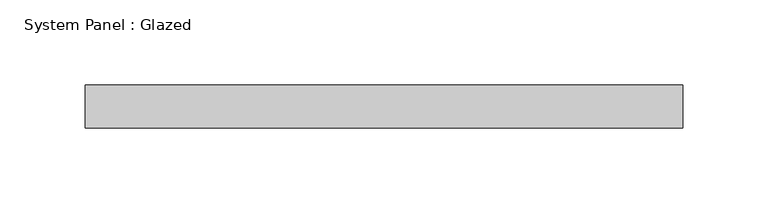
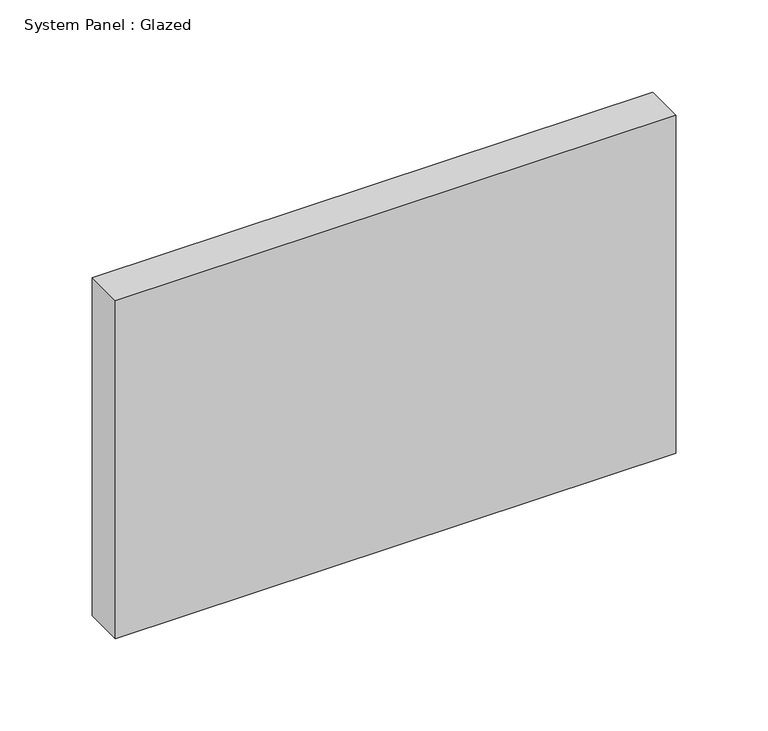
"""IFC4 building model written with IfcOpenShell, lengths in millimetres: plate geometry, System Panel : Glazed."""

from ifc_helpers import new_model, si_unit, origin, origin_with_axes, place, context, project, spatial, polyline, outline, extrude, source, transform, mapped, element, save


def system_panel_glazed_a957bdd6(model_context):
    return source(origin(), model_context, "Body", "SweptSolid", [
        extrude(outline(polyline([(175.6833333, 19.05), (-175.6833333, 19.05), (-175.6833333, 44.45), (175.6833333, 44.45), (175.6833333, 19.05)])), origin_with_axes(), (0.0, 0.0, 1.0), 223.9301113),
    ])


if __name__ == "__main__":
    model = new_model("IFC4")
    model_context = context("Model", 3, world=origin())
    ifc_project = project(units=[si_unit("LENGTHUNIT", "METRE", prefix="MILLI")], contexts=[model_context])
    site = spatial("IfcSite", under=ifc_project)
    building = spatial("IfcBuilding", under=site)
    placement = place(None, origin())
    system_panel_glazed_shape = system_panel_glazed_a957bdd6(model_context)
    element("IfcPlate", 1, ObjectType="System Panel : Glazed", at=placement, inside=building, context=model_context, shape_type="MappedRepresentation", body=[
        mapped(system_panel_glazed_shape, transform((0.0, 0.0, 0.0), x_axis=(1.0, 0.0, 0.0), y_axis=(0.0, 1.0, 0.0), z_axis=(0.0, 0.0, 1.0))),
    ])
    save(model, "model.ifc")
